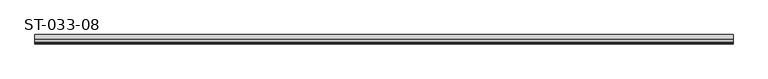
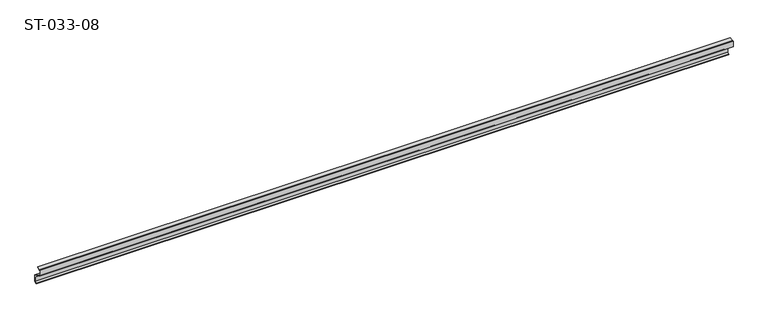
"""IFC4 building model written with IfcOpenShell, lengths in millimetres: plate geometry, ST-033-08."""

import ifcopenshell
import ifcopenshell.guid

model = None  # the IFC model being written
_history = None  # IfcOwnerHistory: only IFC2X3 demands one
_inside = {}  # id of a spatial element -> (the spatial element, [elements in it])
_under = {}  # id of a project, library or spatial element -> (it, [spatial elements below it])
_declared = {}  # id of a project -> (the project, [libraries it declares])
_typed = {}  # id of a type object -> (the type object, [elements of that type])
_made_of = {}  # id of a material, layer set ... -> (it, [elements and type objects made of it])


def new_model(schema):
    """Start an empty IFC model of exactly this schema.

    Asked for "IFC4X3", IfcOpenShell would pick the latest addendum, in which some entities
    have other attributes; the version numbers below select the first issue.
    IFC2X3 requires an IfcOwnerHistory on every rooted entity: one is made here for all.
    """
    global model, _history
    if schema == "IFC4X3":
        model = ifcopenshell.file(schema_version=(4, 3, 0, 0))
    else:
        model = ifcopenshell.file(schema=schema)
    _inside.clear()
    _under.clear()
    _declared.clear()
    _typed.clear()
    _made_of.clear()
    _history = None
    if model.schema == "IFC2X3":
        org = make("IfcOrganization", Name="unknown")
        user = make(
            "IfcPersonAndOrganization",
            ThePerson=make("IfcPerson", FamilyName="unknown"),
            TheOrganization=org,
        )
        app = make(
            "IfcApplication",
            ApplicationDeveloper=org,
            Version="unknown",
            ApplicationFullName="unknown",
            ApplicationIdentifier="unknown",
        )
        _history = make(
            "IfcOwnerHistory",
            OwningUser=user,
            OwningApplication=app,
            ChangeAction="ADDED",
            CreationDate=0,
        )
    return model


def make(cls, **values):
    """One entity of the class cls with the attributes given. An attribute that is None is left unset."""
    return model.create_entity(
        cls, **{name: value for name, value in values.items() if value is not None}
    )


def rooted(cls, **values):
    """An entity with a GlobalId (a new one), such as an element, a storey or a relation."""
    return make(cls, GlobalId=ifcopenshell.guid.new(), OwnerHistory=_history, **values)


def si_unit(unit_type, name, prefix=None):
    """IfcSIUnit, for example si_unit("LENGTHUNIT", "METRE", prefix="MILLI")."""
    return make("IfcSIUnit", UnitType=unit_type, Prefix=prefix, Name=name)


def assignment(units):
    """IfcUnitAssignment: the units of a project."""
    return None if units is None else make("IfcUnitAssignment", Units=units)


def point(xyz):
    """IfcCartesianPoint."""
    return None if xyz is None else make("IfcCartesianPoint", Coordinates=xyz)


def direction(xyz):
    """IfcDirection."""
    return None if xyz is None else make("IfcDirection", DirectionRatios=xyz)


def frame(location, z_axis=None, x_axis=None):
    """IfcAxis2Placement3D, a coordinate frame: its origin and axes. An axis left out is left unset."""
    return make(
        "IfcAxis2Placement3D",
        Location=point(location),
        Axis=direction(z_axis),
        RefDirection=direction(x_axis),
    )


def origin():
    """The frame at (0, 0, 0) with its axes left unset."""
    return frame((0.0, 0.0, 0.0))


def place(relative_to, where):
    """IfcLocalPlacement: puts the frame where relative to a parent placement (None: the world)."""
    return make(
        "IfcLocalPlacement", PlacementRelTo=relative_to, RelativePlacement=where
    )


def context(
    kind, dimensions, precision=None, world=None, true_north=None, identifier=None
):
    """IfcGeometricRepresentationContext, for example the 3D "Model" context."""
    return make(
        "IfcGeometricRepresentationContext",
        ContextIdentifier=identifier,
        ContextType=kind,
        CoordinateSpaceDimension=dimensions,
        Precision=precision,
        WorldCoordinateSystem=world,
        TrueNorth=true_north,
    )


def project(units=None, contexts=None):
    """IfcProject with its units and contexts."""
    return rooted(
        "IfcProject",
        Name="project",
        RepresentationContexts=contexts,
        UnitsInContext=assignment(units),
    )


def spatial(cls, under=None, at=None, **own):
    """A site, building, storey or space (cls), placed at a placement, below another one or the project."""
    s = rooted(cls, ObjectPlacement=at, **own)
    if under is not None:
        _under.setdefault(under.id(), (under, []))[1].append(s)
    return s


def polyline(points):
    """IfcPolyline through the points."""
    return make("IfcPolyline", Points=[point(p) for p in points])


def outline(outer, holes=None, kind="AREA"):
    """IfcArbitraryClosedProfileDef: a profile drawn as a closed curve; with holes, ...WithVoids."""
    if holes is None:
        return make("IfcArbitraryClosedProfileDef", ProfileType=kind, OuterCurve=outer)
    return make(
        "IfcArbitraryProfileDefWithVoids",
        ProfileType=kind,
        OuterCurve=outer,
        InnerCurves=holes,
    )


def extrude(swept, where, along, depth):
    """IfcExtrudedAreaSolid: the profile swept, set in the frame where, extruded along a direction by depth."""
    return make(
        "IfcExtrudedAreaSolid",
        SweptArea=swept,
        Position=where,
        ExtrudedDirection=direction(along),
        Depth=depth,
    )


def shape(context_of_items, identifier, shape_type, items):
    """IfcShapeRepresentation: the items that make up one representation, for example the "Body"."""
    return make(
        "IfcShapeRepresentation",
        ContextOfItems=context_of_items,
        RepresentationIdentifier=identifier,
        RepresentationType=shape_type,
        Items=items,
    )


def source(mapping_origin, context_of_items, identifier, shape_type, items):
    """IfcRepresentationMap: a shape defined once, which mapped items show again and again."""
    return make(
        "IfcRepresentationMap",
        MappingOrigin=mapping_origin,
        MappedRepresentation=shape(context_of_items, identifier, shape_type, items),
    )


def transform(
    local_origin,
    x_axis=None,
    y_axis=None,
    z_axis=None,
    scale=None,
    scale2=None,
    scale3=None,
    uniform=True,
):
    """IfcCartesianTransformationOperator3D, or its non-uniform kind. x_axis, y_axis, z_axis: its Axis1, 2, 3."""
    if uniform:
        return make(
            "IfcCartesianTransformationOperator3D",
            Axis1=direction(x_axis),
            Axis2=direction(y_axis),
            LocalOrigin=point(local_origin),
            Scale=scale,
            Axis3=direction(z_axis),
        )
    return make(
        "IfcCartesianTransformationOperator3DnonUniform",
        Axis1=direction(x_axis),
        Axis2=direction(y_axis),
        LocalOrigin=point(local_origin),
        Scale=scale,
        Axis3=direction(z_axis),
        Scale2=scale2,
        Scale3=scale3,
    )


def mapped(mapping_source, mapping_target):
    """IfcMappedItem: shows the shape of a source again, moved by a transform."""
    return make(
        "IfcMappedItem", MappingSource=mapping_source, MappingTarget=mapping_target
    )


def made_of(thing, what):
    """Note that an element or type object is made of a material, layer set ...; save() writes the relation."""
    if what is not None:
        _made_of.setdefault(what.id(), (what, []))[1].append(thing)
    return thing


def element(
    cls,
    number,
    at=None,
    inside=None,
    cuts=None,
    type_object=None,
    material=None,
    context=None,
    identifier="Body",
    shape_type=None,
    held_by="IfcProductDefinitionShape",
    body=None,
    shapes=None,
    **own,
):
    """One element of the class cls, such as IfcWall. Its Tag is "e" and its number.

    at: its placement. inside: the storey or other place that contains it. cuts: it is an
    opening in that element (IfcRelVoidsElement). A single representation is given by context,
    identifier, shape_type and body (its items); several are given by shapes. held_by: the class
    of the entity that holds the representations. save() writes the other relations.
    """
    e = rooted(cls, Tag="e%d" % number, ObjectPlacement=at, **own)
    if body is not None:
        shapes = [shape(context, identifier, shape_type, body)]
    if shapes is not None:
        e.Representation = make(held_by, Representations=shapes)
    if inside is not None:
        _inside.setdefault(inside.id(), (inside, []))[1].append(e)
    if cuts is not None:
        rooted(
            "IfcRelVoidsElement", RelatingBuildingElement=cuts, RelatedOpeningElement=e
        )
    if type_object is not None:
        _typed.setdefault(type_object.id(), (type_object, []))[1].append(e)
    return made_of(e, material)


def aggregate(whole, parts):
    """IfcRelAggregates: a whole, such as a stair, and the parts it consists of."""
    return rooted("IfcRelAggregates", RelatingObject=whole, RelatedObjects=parts)


def save(model, path):
    """Write the relations noted so far, then the file.

    IfcRelAggregates (storeys below a building ...), IfcRelContainedInSpatialStructure (elements
    in a storey), IfcRelDefinesByType, IfcRelAssociatesMaterial and IfcRelDeclares: one each for
    every whole, place, type object, material and project.
    """
    for whole, parts in _under.values():
        aggregate(whole, parts)
    for where, things in _inside.values():
        rooted(
            "IfcRelContainedInSpatialStructure",
            RelatedElements=things,
            RelatingStructure=where,
        )
    for kind, things in _typed.values():
        rooted("IfcRelDefinesByType", RelatedObjects=things, RelatingType=kind)
    for what, things in _made_of.values():
        rooted("IfcRelAssociatesMaterial", RelatedObjects=things, RelatingMaterial=what)
    for by, libraries in _declared.values():
        rooted("IfcRelDeclares", RelatingContext=by, RelatedDefinitions=libraries)
    model.write(path)


def st_033_08_0f253b45(model_context):
    return source(origin(), model_context, "Body", "SweptSolid", [
        extrude(outline(polyline([(3.4459067, -4.1541649), (1.25, -2.8863576), (1.25, -14.1698554), (20.4, -25.2261131), (20.4, -39.7261131), (15.55, -42.5262619), (15.55, -41.2560913), (19.15, -39.1776303), (19.15, -25.9478009), (16.75, -24.5621603), (16.75, -27.0441772), (13.7499742, -22.8301549), (0.0, -14.8915433), (0.0, -2.6196582), (0.9, -1.4111629), (3.502828, -2.9139064), (9.7517204, 0.0), (10.2166005, -0.9969386), (3.4459067, -4.1541649)])), frame((-750.0, 0.0, 0.0), z_axis=(1.0, 0.0, 0.0), x_axis=(0.0, 1.0, 0.0)), (0.0, 0.0, 1.0), 1499.7321324),
    ])


if __name__ == "__main__":
    model = new_model("IFC4")
    model_context = context("Model", 3, world=origin())
    ifc_project = project(units=[si_unit("LENGTHUNIT", "METRE", prefix="MILLI")], contexts=[model_context])
    site = spatial("IfcSite", under=ifc_project)
    building = spatial("IfcBuilding", under=site)
    placement = place(None, origin())
    st_033_08_shape = st_033_08_0f253b45(model_context)
    element("IfcPlate", 1, ObjectType="ST-033-08", at=placement, inside=building, context=model_context, shape_type="MappedRepresentation", body=[
        mapped(st_033_08_shape, transform((0.0, 0.0, 0.0), x_axis=(1.0, 0.0, 0.0), y_axis=(0.0, 1.0, 0.0), z_axis=(0.0, 0.0, 1.0))),
    ])
    save(model, "model.ifc")
